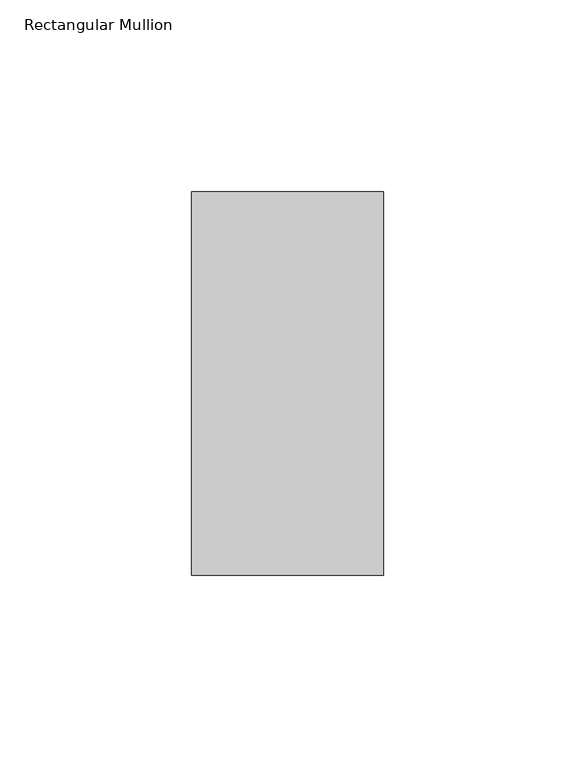
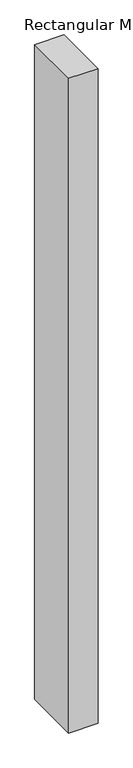
"""IFC4 building model written with IfcOpenShell, lengths in millimetres: member geometry, Rectangular Mullion."""

from ifc_helpers import new_model, si_unit, frame, origin, place, context, project, spatial, polyline, outline, extrude, source, transform, mapped, element, save


def rectangular_mullion_7c6c7660(model_context):
    return source(origin(), model_context, "Body", "SweptSolid", [
        extrude(outline(polyline([(0.0, 69.0), (0.0, -31.0), (-50.0, -31.0), (-50.0, 69.0), (0.0, 69.0)])), frame((0.0, 0.0, -1175.0), z_axis=(0.0, 0.0, 1.0), x_axis=(1.0, 0.0, 0.0)), (0.0, 0.0, 1.0), 1175.0),
    ])


if __name__ == "__main__":
    model = new_model("IFC4")
    model_context = context("Model", 3, world=origin())
    ifc_project = project(units=[si_unit("LENGTHUNIT", "METRE", prefix="MILLI")], contexts=[model_context])
    site = spatial("IfcSite", under=ifc_project)
    building = spatial("IfcBuilding", under=site)
    placement = place(None, origin())
    rectangular_mullion_shape = rectangular_mullion_7c6c7660(model_context)
    element("IfcMember", 1, ObjectType="Rectangular Mullion", at=placement, inside=building, context=model_context, shape_type="MappedRepresentation", body=[
        mapped(rectangular_mullion_shape, transform((0.0, 0.0, 0.0), x_axis=(1.0, 0.0, 0.0), y_axis=(0.0, 1.0, 0.0), z_axis=(0.0, 0.0, 1.0))),
    ])
    save(model, "model.ifc")
